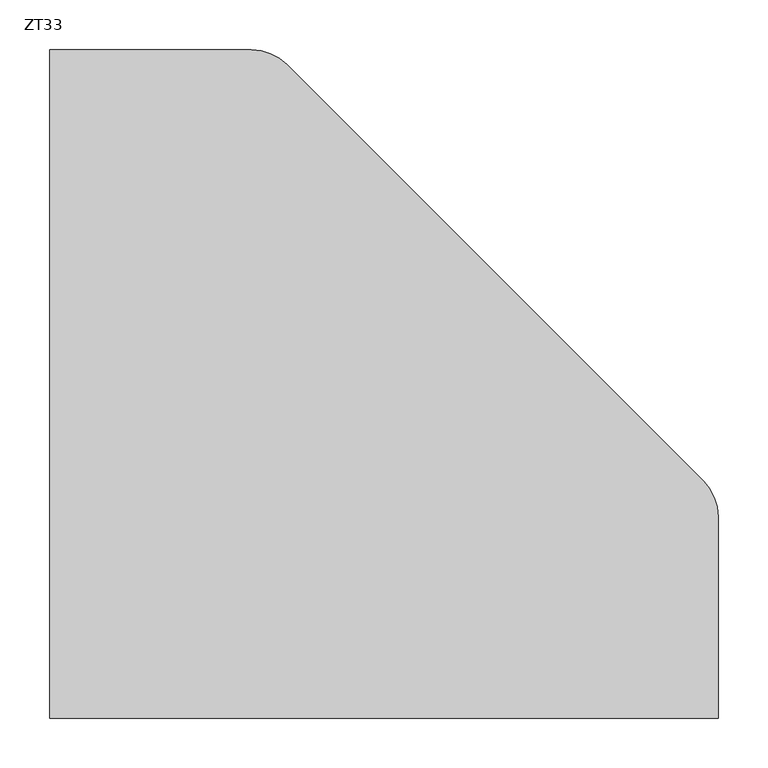
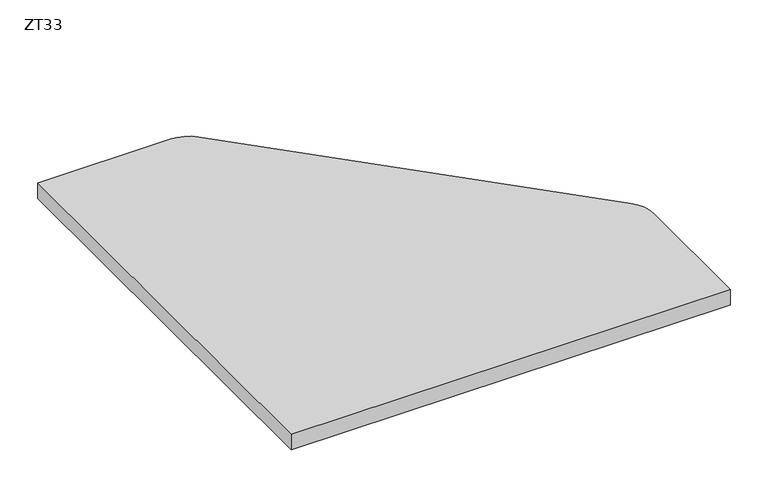
"""IFC4 building model written with IfcOpenShell, lengths in millimetres: furniture geometry, ZT33."""

from ifc_helpers import new_model, si_unit, point, frame, frame_2d, origin, place, context, project, spatial, polyline, circle_curve, trimmed, segment, composite_curve, outline, extrude, source, transform, mapped, element, save


def zt33_c6bf889e(model_context):
    return source(origin(), model_context, "Body", "SweptSolid", [
        extrude(outline(composite_curve([segment(polyline([(-335.0, 335.0), (-133.0, 335.0)]), True, "CONTINUOUS"), segment(trimmed(circle_curve(frame_2d((-133.0, 285.0)), 50.0), [point((-133.0, 335.0))], [point((-97.6446609, 320.3553391))], False, "CARTESIAN"), True, "CONTINUOUS"), segment(polyline([(-97.6446609, 320.3553391), (320.3553391, -97.6446609)]), True, "CONTINUOUS"), segment(trimmed(circle_curve(frame_2d((285.0, -133.0)), 50.0), [point((320.3553391, -97.6446609))], [point((335.0, -133.0))], False, "CARTESIAN"), True, "CONTINUOUS"), segment(polyline([(335.0, -133.0), (335.0, -335.0), (-335.0, -335.0), (-335.0, 335.0)]), True, "CONTINUOUS")], self_intersect=False)), frame((0.0, 0.0, 700.0), z_axis=(0.0, 0.0, 1.0), x_axis=(1.0, 0.0, 0.0)), (0.0, 0.0, 1.0), 25.0),
    ])


if __name__ == "__main__":
    model = new_model("IFC4")
    model_context = context("Model", 3, world=origin())
    ifc_project = project(units=[si_unit("LENGTHUNIT", "METRE", prefix="MILLI")], contexts=[model_context])
    site = spatial("IfcSite", under=ifc_project)
    building = spatial("IfcBuilding", under=site)
    placement = place(None, origin())
    zt33_shape = zt33_c6bf889e(model_context)
    element("IfcFurniture", 1, ObjectType="ZT33", at=placement, inside=building, context=model_context, shape_type="MappedRepresentation", body=[
        mapped(zt33_shape, transform((0.0, 0.0, 0.0), x_axis=(1.0, 0.0, 0.0), y_axis=(0.0, 1.0, 0.0), z_axis=(0.0, 0.0, 1.0))),
    ])
    save(model, "model.ifc")
